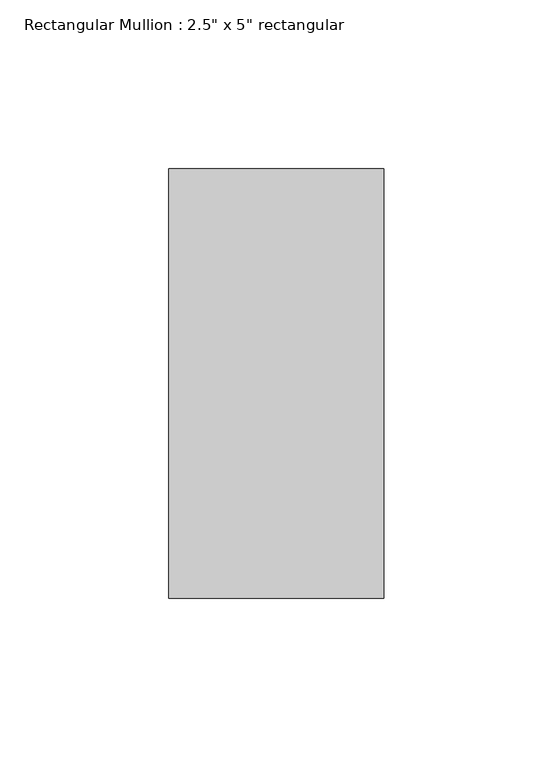
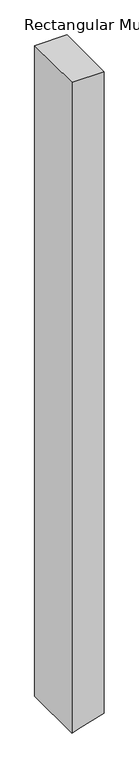
"""IFC4 building model written with IfcOpenShell, lengths in millimetres: member geometry."""

from ifc_helpers import new_model, si_unit, frame, origin, place, context, project, spatial, polyline, outline, extrude, source, transform, mapped, element, save


def member_0a2a5b8f(model_context):
    return source(origin(), model_context, "Body", "SweptSolid", [
        extrude(outline(polyline([(0.0, 31.75), (0.0, -31.75), (-1359.2436313, -31.75), (-1355.1776465, -17.9669194), (-1340.5112417, 31.75), (0.0, 31.75)])), frame((0.0, -63.5, 0.0), z_axis=(0.0, 1.0, 0.0), x_axis=(0.0, 0.0, 1.0)), (0.0, 0.0, 1.0), 127.0),
    ])


if __name__ == "__main__":
    model = new_model("IFC4")
    model_context = context("Model", 3, world=origin())
    ifc_project = project(units=[si_unit("LENGTHUNIT", "METRE", prefix="MILLI")], contexts=[model_context])
    site = spatial("IfcSite", under=ifc_project)
    building = spatial("IfcBuilding", under=site)
    placement = place(None, origin())
    member_shape = member_0a2a5b8f(model_context)
    element("IfcMember", 1, ObjectType="Rectangular Mullion : 2.5\" x 5\" rectangular", at=placement, inside=building, context=model_context, shape_type="MappedRepresentation", body=[
        mapped(member_shape, transform((0.0, 0.0, 0.0), x_axis=(1.0, 0.0, 0.0), y_axis=(0.0, 1.0, 0.0), z_axis=(0.0, 0.0, 1.0))),
    ])
    save(model, "model.ifc")
